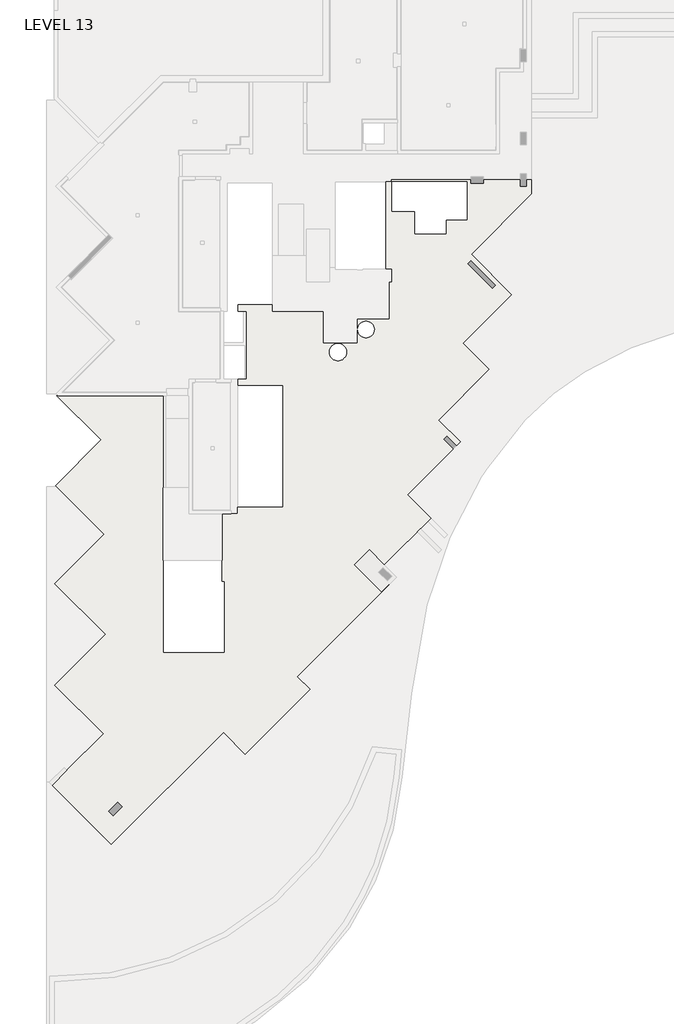
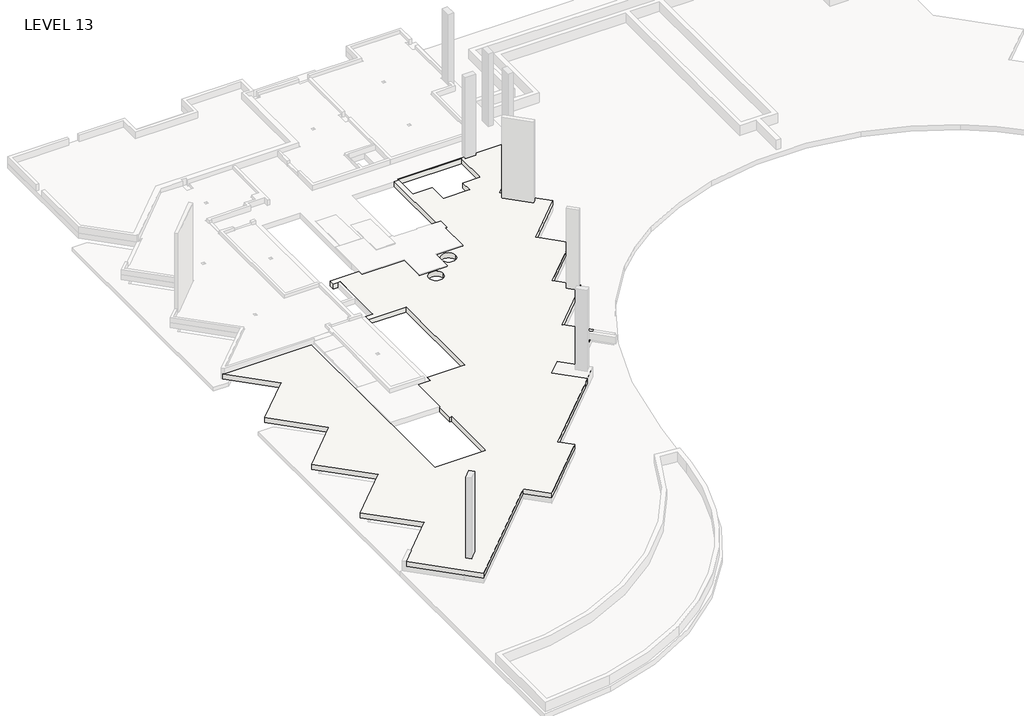
# One storey, part 2 of 5: 1 slab.
"""IFC4 building model written with IfcOpenShell, lengths in millimetres."""

from ifc_helpers import new_model, si_unit, frame, origin, place, context, project, spatial, polyline, circle_curve, element, save
from ifc_brep_helpers import plane_surface, revolved_surface, advanced_brep

model = new_model("IFC4")

# Units and contexts
model_context = context("Model", 3, world=origin())
ifc_project = project(units=[si_unit("LENGTHUNIT", "METRE", prefix="MILLI")], contexts=[model_context])

# Site, building, storey
site = spatial("IfcSite", under=ifc_project)
building = spatial("IfcBuilding", under=site)
storey = spatial("IfcBuildingStorey", under=building, Name="LEVEL 13", Elevation=41350.0)

# Slab
placement = place(None, origin())
element("IfcSlab", 1, ObjectType="300 TRANSFER SLAB", at=placement, inside=storey, context=model_context, shape_type="AdvancedBrep", body=[
    advanced_brep(
    [(196817.7561203, 194963.7530487, 41050.0), (196110.6493391, 194256.6462675, 41050.0), (194307.527047, 192453.5239755, 41050.0), (195421.0729394, 191339.9780831, 41050.0), (194713.9661582, 190632.8713019, 41050.0), (193193.6865787, 189112.5917224, 41050.0), (193780.1699402, 188526.1083608, 41050.0), (193073.0690874, 187819.007508, 41050.0), (192793.2930956, 187539.2315162, 41050.0), (189042.3683084, 183788.306729, 41050.0), (189652.2243532, 183178.4506842, 41050.0), (188945.117572, 182471.343903, 41050.0), (187276.330123, 180802.5564541, 41050.0), (186569.2233418, 180095.4496729, 41050.0), (185528.0555566, 181136.6174581, 41050.0), (180177.6999083, 175786.2618098, 41050.0), (179470.5931271, 176493.368591, 41050.0), (177357.0651708, 178606.8965473, 41050.0), (178064.171952, 179314.0033285, 41050.0), (179810.7257012, 181060.5570777, 41050.0), (177491.4095336, 183379.8732453, 41050.0), (179909.7147252, 185798.1784369, 41050.0), (177491.4154592, 188216.4777029, 41050.0), (179839.0099727, 190564.0722165, 41050.0), (177519.6938053, 192883.3883839, 41050.0), (179697.5826914, 195061.27727, 41050.0), (177590.4104086, 197168.4495528, 41050.0), (177661.1210867, 197168.4495528, 41050.0), (182656.1019659, 197168.4495528, 41050.0), (182656.1019659, 191543.2322067, 41050.0), (182656.1019659, 184913.8372685, 41050.0), (185576.1489175, 184913.8372685, 41050.0), (185576.1489175, 188316.3372685, 41050.0), (185466.1489175, 188316.3372685, 41050.0), (185466.1489175, 191543.2322067, 41050.0), (186201.1489175, 191543.2322067, 41050.0), (186201.1489175, 191842.6490083, 41050.0), (188361.1489175, 191842.6490083, 41050.0), (188361.1489175, 197658.2322067, 41050.0), (186231.1489175, 197658.2322067, 41050.0), (186231.1489175, 197958.2322067, 41050.0), (186631.1489175, 197958.2322067, 41050.0), (186631.1489175, 201193.2322067, 41050.0), (186491.1489185, 201193.2203395, 41050.0), (186231.1489175, 201193.1983002, 41050.0), (186231.1489175, 201493.1983002, 41050.0), (187861.1489205, 201493.1983002, 41050.0), (187861.1489205, 201593.1983002, 41050.0), (190691.1560768, 201593.1983002, 41050.0), (190691.1560768, 200083.2169811, 41050.0), (191488.9560768, 200083.2169811, 41050.0), (191488.9560768, 201223.2169811, 41050.0), (193021.1958691, 201223.2169811, 41050.0), (193021.1958691, 202828.1983002, 41050.0), (193281.1958691, 202828.1983002, 41050.0), (193281.1958691, 207358.1983002, 41050.0), (193531.1958691, 207358.1983002, 41050.0), (193531.1958691, 205942.1983002, 41050.0), (194642.1958691, 205942.1983002, 41050.0), (194642.1958691, 204862.1983002, 41050.0), (196163.2087931, 204862.1983002, 41050.0), (196163.2087931, 205532.1983002, 41050.0), (197163.2087931, 205532.1983002, 41050.0), (197163.2087931, 205538.6983002, 41050.0), (197163.2087931, 207373.1983002, 41050.0), (197163.2087931, 207392.1983002, 41050.0), (193531.1958691, 207392.1983002, 41050.0), (193531.1958691, 207468.1983002, 41050.0), (200218.1920448, 207468.1983002, 41050.0), (200218.1920448, 206783.4157818, 41050.0), (199218.1920448, 205783.4157818, 41050.0), (197345.7581499, 203910.9818869, 41050.0), (199269.6915449, 201987.048492, 41050.0), (198562.5847637, 201279.9417108, 41050.0), (196950.3813026, 199667.7382497, 41050.0), (198195.0557495, 198423.0638028, 41050.0), (197487.9489683, 197715.9570216, 41050.0), (195776.7505578, 196004.7586111, 41050.0), (191926.5560768, 200323.2169811, 41050.0), (192726.5560768, 200323.2169811, 41050.0), (190581.47927, 199245.6169811, 41050.0), (191400.8328836, 199245.6169811, 41050.0), (194307.527047, 192453.5239755, 41350.0), (196817.7561203, 194963.7530487, 41350.0), (195776.7505578, 196004.7586111, 41350.0), (198195.0557495, 198423.0638028, 41350.0), (196950.3813026, 199667.7382497, 41350.0), (199269.6915449, 201987.048492, 41350.0), (197345.7581499, 203910.9818869, 41350.0), (200218.1920448, 206783.4157818, 41350.0), (200218.1920448, 207468.1983002, 41350.0), (193531.1958691, 207468.1983002, 41350.0), (193531.1958691, 207392.1983002, 41350.0), (197163.2087931, 207392.1983002, 41350.0), (197163.2087931, 207373.1983002, 41350.0), (197163.2087931, 205538.6983002, 41350.0), (197163.2087931, 205532.1983002, 41350.0), (196163.2087931, 205532.1983002, 41350.0), (196163.2087931, 204862.1983002, 41350.0), (194642.1958691, 204862.1983002, 41350.0), (194642.1958691, 205942.1983002, 41350.0), (193531.1958691, 205942.1983002, 41350.0), (193531.1958691, 207358.1983002, 41350.0), (193281.1958691, 207358.1983002, 41350.0), (193281.1958691, 203198.1643937, 41350.0), (193531.1958691, 203198.1643937, 41350.0), (193531.1958691, 202593.1983002, 41350.0), (193421.1958691, 202593.1983002, 41350.0), (193421.1958691, 200823.2169811, 41350.0), (191888.9560768, 200823.2169811, 41350.0), (191888.9560768, 199683.2169811, 41350.0), (190291.1560768, 199683.2169811, 41350.0), (190291.1560768, 201193.2322067, 41350.0), (187861.1489205, 201193.2322067, 41350.0), (187861.1489205, 201493.1983002, 41350.0), (186231.1489175, 201493.1983002, 41350.0), (186231.1489175, 201193.1983002, 41350.0), (186491.1489185, 201193.2203395, 41350.0), (186631.1489175, 201193.2322067, 41350.0), (186631.1489175, 197958.2322067, 41350.0), (186231.1489175, 197958.2322067, 41350.0), (186231.1489175, 197658.2322067, 41350.0), (188361.1489175, 197658.2322067, 41350.0), (188361.1489175, 191842.6490083, 41350.0), (186201.1489175, 191842.6490083, 41350.0), (186201.1489175, 191543.2322067, 41350.0), (185466.1489175, 191543.2322067, 41350.0), (185466.1489175, 188316.3372685, 41350.0), (185576.1489175, 188316.3372685, 41350.0), (185576.1489175, 184913.8372685, 41350.0), (182656.1019659, 184913.8372685, 41350.0), (182656.1019659, 191543.2322067, 41350.0), (182656.1019659, 192783.2322067, 41350.0), (182656.1019659, 197168.4495528, 41350.0), (177661.1210867, 197168.4495528, 41350.0), (177590.4104086, 197168.4495528, 41350.0), (179697.5826914, 195061.27727, 41350.0), (177519.6938053, 192883.3883839, 41350.0), (179839.0099727, 190564.0722165, 41350.0), (177491.4154592, 188216.4777029, 41350.0), (179909.7147252, 185798.1784369, 41350.0), (177491.4095336, 183379.8732453, 41350.0), (179810.7257012, 181060.5570777, 41350.0), (178064.171952, 179314.0033285, 41350.0), (177357.0651708, 178606.8965473, 41350.0), (180177.6999083, 175786.2618098, 41350.0), (185528.0555566, 181136.6174581, 41350.0), (186569.2233418, 180095.4496729, 41350.0), (189652.2243532, 183178.4506842, 41350.0), (189042.3683084, 183788.306729, 41350.0), (192793.2930956, 187539.2315162, 41350.0), (193780.1699402, 188526.1083608, 41350.0), (193193.6865787, 189112.5917224, 41350.0), (195421.0729394, 191339.9780831, 41350.0), (192726.5560768, 200323.2169811, 41350.0), (191926.5560768, 200323.2169811, 41350.0), (191400.8328836, 199245.6169811, 41350.0), (190581.47927, 199245.6169811, 41350.0), (193281.1958691, 202828.1983002, 41100.0), (193281.1958691, 203198.1643937, 41100.0), (191488.9560768, 201223.2169811, 41100.0), (193021.1958691, 201223.2169811, 41100.0), (193021.1958691, 202828.1983002, 41100.0), (185466.1489175, 191543.2322067, 41100.0), (187861.1489205, 201593.1983002, 41100.0), (190691.1560768, 201593.1983002, 41100.0), (190691.1560768, 200083.2169811, 41100.0), (191488.9560768, 200083.2169811, 41100.0), (193531.1958691, 202593.1983002, 41100.0), (193531.1958691, 203198.1643937, 41100.0), (187861.1489205, 201493.1983002, 41100.0), (187861.1489205, 201193.2322067, 41100.0), (190291.1560768, 201193.2322067, 41100.0), (190291.1560768, 199683.2169811, 41100.0), (191888.9560768, 199683.2169811, 41100.0), (191888.9560768, 200823.2169811, 41100.0), (193421.1958691, 200823.2169811, 41100.0), (193421.1958691, 202593.1983002, 41100.0)],
    [
        (0, 1),
        (1, 2),
        (2, 3),
        (3, 4),
        (4, 5),
        (5, 6),
        (6, 7),
        (7, 8),
        (8, 9),
        (9, 10),
        (10, 11),
        (11, 12),
        (12, 13),
        (13, 14),
        (14, 15),
        (15, 16),
        (16, 17),
        (17, 18),
        (18, 19),
        (19, 20),
        (20, 21),
        (21, 22),
        (22, 23),
        (23, 24),
        (24, 25),
        (25, 26),
        (26, 27),
        (27, 28),
        (28, 29),
        (29, 30),
        (30, 31),
        (31, 32),
        (32, 33),
        (33, 34),
        (34, 35),
        (35, 36),
        (36, 37),
        (37, 38),
        (38, 39),
        (39, 40),
        (40, 41),
        (41, 42),
        (42, 43),
        (43, 44),
        (44, 45),
        (45, 46),
        (46, 47),
        (47, 48),
        (48, 49),
        (49, 50),
        (50, 51),
        (51, 52),
        (52, 53),
        (53, 54),
        (54, 55),
        (55, 56),
        (56, 57),
        (57, 58),
        (58, 59),
        (59, 60),
        (60, 61),
        (61, 62),
        (62, 63),
        (63, 64),
        (64, 65),
        (65, 66),
        (66, 67),
        (67, 68),
        (68, 69),
        (69, 70),
        (70, 71),
        (71, 72),
        (72, 73),
        (73, 74),
        (74, 75),
        (75, 76),
        (76, 77),
        (77, 0),
        (78, 79, circle_curve(frame((192326.5560768, 200323.2169811, 41050.0), z_axis=(0.0, 0.0, 1.0), x_axis=(1.0, 0.0, 0.0)), 400.0)),
        (79, 78, circle_curve(frame((192326.5560768, 200323.2169811, 41050.0), z_axis=(0.0, 0.0, 1.0), x_axis=(1.0, 0.0, 0.0)), 400.0)),
        (80, 81, circle_curve(frame((190991.1560768, 199245.6169811, 41050.0), z_axis=(0.0, 0.0, 1.0), x_axis=(1.0, 0.0, 0.0)), 409.6768068)),
        (81, 80, circle_curve(frame((190991.1560768, 199245.6169811, 41050.0), z_axis=(0.0, 0.0, 1.0), x_axis=(1.0, 0.0, 0.0)), 409.6768068)),
        (82, 83),
        (83, 84),
        (84, 85),
        (85, 86),
        (86, 87),
        (87, 88),
        (88, 89),
        (89, 90),
        (90, 91),
        (91, 92),
        (92, 93),
        (93, 94),
        (94, 95),
        (95, 96),
        (96, 97),
        (97, 98),
        (98, 99),
        (99, 100),
        (100, 101),
        (101, 102),
        (102, 103),
        (103, 104),
        (104, 105),
        (105, 106),
        (106, 107),
        (107, 108),
        (108, 109),
        (109, 110),
        (110, 111),
        (111, 112),
        (112, 113),
        (113, 114),
        (114, 115),
        (115, 116),
        (116, 117),
        (117, 118),
        (118, 119),
        (119, 120),
        (120, 121),
        (121, 122),
        (122, 123),
        (123, 124),
        (124, 125),
        (125, 126),
        (126, 127),
        (127, 128),
        (128, 129),
        (129, 130),
        (130, 131),
        (131, 132),
        (132, 133),
        (133, 134),
        (134, 135),
        (135, 136),
        (136, 137),
        (137, 138),
        (138, 139),
        (139, 140),
        (140, 141),
        (141, 142),
        (142, 143),
        (143, 144),
        (144, 145),
        (145, 146),
        (146, 147),
        (147, 148),
        (148, 149),
        (149, 150),
        (150, 151),
        (151, 152),
        (152, 153),
        (153, 82),
        (154, 155, circle_curve(frame((192326.5560768, 200323.2169811, 41350.0), z_axis=(0.0, 0.0, -1.0), x_axis=(1.0, 0.0, 0.0)), 400.0)),
        (155, 154, circle_curve(frame((192326.5560768, 200323.2169811, 41350.0), z_axis=(0.0, 0.0, -1.0), x_axis=(1.0, 0.0, 0.0)), 400.0)),
        (156, 157, circle_curve(frame((190991.1560768, 199245.6169811, 41350.0), z_axis=(0.0, 0.0, -1.0), x_axis=(1.0, 0.0, 0.0)), 409.6768068)),
        (157, 156, circle_curve(frame((190991.1560768, 199245.6169811, 41350.0), z_axis=(0.0, 0.0, -1.0), x_axis=(1.0, 0.0, 0.0)), 409.6768068)),
        (0, 83),
        (82, 2),
        (54, 158),
        (158, 159),
        (159, 104),
        (103, 55),
        (89, 69),
        (68, 90),
        (88, 71),
        (87, 72),
        (86, 74),
        (85, 75),
        (84, 77),
        (59, 99),
        (98, 60),
        (96, 62),
        (61, 97),
        (93, 65),
        (92, 66),
        (101, 57),
        (56, 102),
        (100, 58),
        (51, 160),
        (160, 161),
        (161, 52),
        (161, 162),
        (162, 53),
        (153, 3),
        (152, 5),
        (151, 6),
        (150, 8),
        (149, 9),
        (148, 10),
        (147, 13),
        (146, 14),
        (145, 15),
        (144, 17),
        (142, 19),
        (141, 20),
        (140, 21),
        (139, 22),
        (138, 23),
        (137, 24),
        (136, 25),
        (130, 30),
        (28, 133),
        (34, 163),
        (163, 126),
        (125, 35),
        (122, 38),
        (37, 123),
        (121, 39),
        (120, 40),
        (115, 45),
        (44, 116),
        (129, 31),
        (128, 32),
        (127, 33),
        (135, 26),
        (47, 164),
        (164, 165),
        (165, 48),
        (165, 166),
        (166, 49),
        (166, 167),
        (167, 50),
        (167, 160),
        (78, 155),
        (154, 79),
        (168, 169),
        (169, 159),
        (158, 162),
        (164, 170),
        (170, 171),
        (171, 172),
        (172, 173),
        (173, 174),
        (174, 175),
        (175, 176),
        (176, 177),
        (177, 168),
        (168, 106),
        (105, 169),
        (177, 107),
        (176, 108),
        (175, 109),
        (174, 110),
        (173, 111),
        (172, 112),
        (171, 113),
        (170, 114),
        (36, 124),
        (170, 46),
        (42, 118),
        (67, 91),
        (41, 119),
        (80, 157),
        (156, 81),
    ],
    [
        plane_surface(frame((195795.9868214, 193941.9837499, 41050.0), z_axis=(0.0, 0.0, -1.0), x_axis=(-0.7071067811865622, -0.7071067811865329, 0.0))),
        plane_surface(frame((195795.9868214, 193941.9837499, 41350.0), z_axis=(0.0, 0.0, 1.0), x_axis=(0.7071067811865622, 0.7071067811865329, 0.0))),
        plane_surface(frame((196817.7561203, 194963.7530487, 41050.0), z_axis=(0.7071067811865329, -0.7071067811865622, 0.0), x_axis=(0.0, 0.0, 1.0))),
        plane_surface(frame((193281.1958691, 202828.1983002, 41050.0), z_axis=(-1.0, 0.0, 0.0), x_axis=(0.0, 0.0, 1.0))),
        plane_surface(frame((200218.1920448, 207608.1983002, 41050.0), z_axis=(1.0, 0.0, 0.0), x_axis=(0.0, 0.0, 1.0))),
        plane_surface(frame((200218.1920448, 206783.4157818, 41050.0), z_axis=(0.7071067811865476, -0.7071067811865476, 0.0), x_axis=(0.0, 0.0, 1.0))),
        plane_surface(frame((197345.7581499, 203910.9818869, 41050.0), z_axis=(0.7071067811865476, 0.7071067811865476, 0.0), x_axis=(0.0, 0.0, 1.0))),
        plane_surface(frame((199269.6915449, 201987.048492, 41050.0), z_axis=(0.7071067811865528, -0.7071067811865422, 0.0), x_axis=(0.0, 0.0, 1.0))),
        plane_surface(frame((196950.3813026, 199667.7382497, 41050.0), z_axis=(0.7071067811865476, 0.7071067811865476, 0.0), x_axis=(0.0, 0.0, 1.0))),
        plane_surface(frame((198195.0557495, 198423.0638028, 41050.0), z_axis=(0.7071067811865476, -0.7071067811865476, 0.0), x_axis=(0.0, 0.0, 1.0))),
        plane_surface(frame((195776.7505578, 196004.7586111, 41050.0), z_axis=(0.7071067811865476, 0.7071067811865476, 0.0), x_axis=(0.0, 0.0, 1.0))),
        plane_surface(frame((194651.1958691, 204862.1983002, 41050.0), z_axis=(0.0, 1.0, 0.0), x_axis=(0.0, 0.0, 1.0))),
        plane_surface(frame((196151.1958691, 205532.1983002, 41050.0), z_axis=(0.0, 1.0, 0.0), x_axis=(0.0, 0.0, 1.0))),
        plane_surface(frame((197163.2087931, 205532.1983002, 41050.0), z_axis=(-1.0, 0.0, 0.0), x_axis=(0.0, 0.0, 1.0))),
        plane_surface(frame((197163.2087931, 207392.1983002, 41050.0), z_axis=(0.0, -1.0, 0.0), x_axis=(0.0, 0.0, 1.0))),
        plane_surface(frame((193531.1958691, 207392.1983002, 41050.0), z_axis=(1.0, 0.0, 0.0), x_axis=(0.0, 0.0, 1.0))),
        plane_surface(frame((193531.1958691, 205942.1983002, 41050.0), z_axis=(0.0, 1.0, 0.0), x_axis=(0.0, 0.0, 1.0))),
        plane_surface(frame((191488.9560768, 201223.2169811, 41050.0), z_axis=(0.0, 1.0, 0.0), x_axis=(0.0, 0.0, 1.0))),
        plane_surface(frame((193021.1958691, 201223.2169811, 41050.0), z_axis=(-1.0, 0.0, 0.0), x_axis=(0.0, 0.0, 1.0))),
        plane_surface(frame((194307.527047, 192453.5239755, 41050.0), z_axis=(0.7071067811865476, 0.7071067811865476, 0.0), x_axis=(0.0, 0.0, 1.0))),
        plane_surface(frame((195421.0729394, 191339.9780831, 41050.0), z_axis=(0.7071067811865476, -0.7071067811865476, 0.0), x_axis=(0.0, 0.0, 1.0))),
        plane_surface(frame((193193.6865787, 189112.5917224, 41050.0), z_axis=(0.7071067811865476, 0.7071067811865476, 0.0), x_axis=(0.0, 0.0, 1.0))),
        plane_surface(frame((193780.1699402, 188526.1083608, 41050.0), z_axis=(0.7071067811865476, -0.7071067811865476, 0.0), x_axis=(0.0, 0.0, 1.0))),
        plane_surface(frame((192793.2930956, 187539.2315162, 41050.0), z_axis=(0.7071067811865476, -0.7071067811865476, 0.0), x_axis=(0.0, 0.0, 1.0))),
        plane_surface(frame((189042.3683084, 183788.306729, 41050.0), z_axis=(0.7071067811865476, 0.7071067811865476, 0.0), x_axis=(0.0, 0.0, 1.0))),
        plane_surface(frame((189652.2243532, 183178.4506842, 41050.0), z_axis=(0.7071067811865476, -0.7071067811865476, 0.0), x_axis=(0.0, 0.0, 1.0))),
        plane_surface(frame((186569.2233418, 180095.4496729, 41050.0), z_axis=(-0.7071067811865476, -0.7071067811865476, 0.0), x_axis=(0.0, 0.0, 1.0))),
        plane_surface(frame((185528.0555566, 181136.6174581, 41050.0), z_axis=(0.7071067811865476, -0.7071067811865476, 0.0), x_axis=(0.0, 0.0, 1.0))),
        plane_surface(frame((180177.6999083, 175786.2618098, 41050.0), z_axis=(-0.7071067811865388, -0.7071067811865562, 0.0), x_axis=(0.0, 0.0, 1.0))),
        plane_surface(frame((177357.0651708, 178606.8965473, 41050.0), z_axis=(-0.7071067811865476, 0.7071067811865476, 0.0), x_axis=(0.0, 0.0, 1.0))),
        plane_surface(frame((179810.7257012, 181060.5570777, 41050.0), z_axis=(-0.7071067811865476, -0.7071067811865476, 0.0), x_axis=(0.0, 0.0, 1.0))),
        plane_surface(frame((177491.4095336, 183379.8732453, 41050.0), z_axis=(-0.7071067811865476, 0.7071067811865476, 0.0), x_axis=(0.0, 0.0, 1.0))),
        plane_surface(frame((179909.7147252, 185798.1784369, 41050.0), z_axis=(-0.7071067811865476, -0.7071067811865476, 0.0), x_axis=(0.0, 0.0, 1.0))),
        plane_surface(frame((177491.4154592, 188216.4777029, 41050.0), z_axis=(-0.7071067811865476, 0.7071067811865476, 0.0), x_axis=(0.0, 0.0, 1.0))),
        plane_surface(frame((179839.0099727, 190564.0722165, 41050.0), z_axis=(-0.7071067811864736, -0.7071067811866215, 0.0), x_axis=(0.0, 0.0, 1.0))),
        plane_surface(frame((177519.6938053, 192883.3883839, 41050.0), z_axis=(-0.7071067811865419, 0.7071067811865532, 0.0), x_axis=(0.0, 0.0, 1.0))),
        plane_surface(frame((182656.1019659, 197168.4495528, 41050.0), z_axis=(1.0, 0.0, 0.0), x_axis=(0.0, 0.0, 1.0))),
        plane_surface(frame((185466.1489175, 191543.2322067, 41050.0), z_axis=(0.0, 1.0, 0.0), x_axis=(0.0, 0.0, 1.0))),
        plane_surface(frame((188361.1489175, 191843.2322067, 41050.0), z_axis=(-1.0, 0.0, 0.0), x_axis=(0.0, 0.0, 1.0))),
        plane_surface(frame((188361.1489175, 197658.2322067, 41050.0), z_axis=(0.0, -1.0, 0.0), x_axis=(0.0, 0.0, 1.0))),
        plane_surface(frame((186231.1489175, 197658.2322067, 41050.0), z_axis=(-1.0, 0.0, 0.0), x_axis=(0.0, 0.0, 1.0))),
        plane_surface(frame((182656.1019659, 184913.8372685, 41050.0), z_axis=(0.0, 1.0, 0.0), x_axis=(0.0, 0.0, 1.0))),
        plane_surface(frame((185576.1489175, 184913.8372685, 41050.0), z_axis=(-1.0, 0.0, 0.0), x_axis=(0.0, 0.0, 1.0))),
        plane_surface(frame((185576.1489175, 188316.3372685, 41050.0), z_axis=(0.0, -1.0, 0.0), x_axis=(0.0, 0.0, 1.0))),
        plane_surface(frame((185466.1489175, 188316.3372685, 41050.0), z_axis=(-1.0, 0.0, 0.0), x_axis=(0.0, 0.0, 1.0))),
        plane_surface(frame((179697.5826914, 195061.27727, 41050.0), z_axis=(-0.7071067811865476, -0.7071067811865476, 0.0), x_axis=(0.0, 0.0, 1.0))),
        plane_surface(frame((177590.4104086, 197168.4495528, 41050.0), z_axis=(0.0, 1.0, 0.0), x_axis=(0.0, 0.0, 1.0))),
        plane_surface(frame((187861.1489205, 201593.1983002, 41050.0), z_axis=(0.0, 1.0, 0.0), x_axis=(0.0, 0.0, 1.0))),
        plane_surface(frame((190691.1560768, 201593.1983002, 41050.0), z_axis=(1.0, 0.0, 0.0), x_axis=(0.0, 0.0, 1.0))),
        plane_surface(frame((190691.1560768, 200083.2169811, 41050.0), z_axis=(0.0, 1.0, 0.0), x_axis=(0.0, 0.0, 1.0))),
        plane_surface(frame((191488.9560768, 200083.2169811, 41050.0), z_axis=(-1.0, 0.0, 0.0), x_axis=(0.0, 0.0, 1.0))),
        revolved_surface(polyline([(192726.5560768, 200323.2169811, 41350.0), (192726.5560768, 200323.2169811, 41050.0)]), (192326.5560768, 200323.2169811, 41350.0), (0.0, 0.0, 1.0)),
        plane_surface(frame((193531.1958691, 203148.1983002, 41100.0), z_axis=(0.0, 0.0, 1.0), x_axis=(1.0, 0.0, 0.0))),
        plane_surface(frame((193531.1958691, 203198.1643937, 41100.0), z_axis=(-1.0, 0.0, 0.0), x_axis=(0.0, 0.0, 1.0))),
        plane_surface(frame((193531.1958691, 202593.1983002, 41100.0), z_axis=(0.0, 1.0, 0.0), x_axis=(0.0, 0.0, 1.0))),
        plane_surface(frame((193421.1958691, 202593.1983002, 41100.0), z_axis=(-1.0, 0.0, 0.0), x_axis=(0.0, 0.0, 1.0))),
        plane_surface(frame((193421.1958691, 200823.2169811, 41100.0), z_axis=(0.0, 1.0, 0.0), x_axis=(0.0, 0.0, 1.0))),
        plane_surface(frame((192181.1958691, 203198.1643937, 41100.0), z_axis=(0.0, -1.0, 0.0), x_axis=(0.0, 0.0, 1.0))),
        plane_surface(frame((191888.9560768, 200823.2169811, 41100.0), z_axis=(-1.0, 0.0, 0.0), x_axis=(0.0, 0.0, 1.0))),
        plane_surface(frame((191888.9560768, 199683.2169811, 41100.0), z_axis=(0.0, 1.0, 0.0), x_axis=(0.0, 0.0, 1.0))),
        plane_surface(frame((190291.1560768, 199683.2169811, 41100.0), z_axis=(1.0, 0.0, 0.0), x_axis=(0.0, 0.0, 1.0))),
        plane_surface(frame((190291.1560768, 201193.2322067, 41100.0), z_axis=(0.0, 1.0, 0.0), x_axis=(0.0, 0.0, 1.0))),
        plane_surface(frame((187861.1489205, 201193.2322067, 41100.0), z_axis=(1.0, 0.0, 0.0), x_axis=(0.0, 0.0, 1.0))),
        plane_surface(frame((186201.1489175, 191842.6490083, 96804.8), z_axis=(0.0, 1.0, 0.0), x_axis=(0.0, 0.0, -1.0))),
        plane_surface(frame((186231.1489175, 201493.1983002, 41050.0), z_axis=(0.0, 1.0, 0.0), x_axis=(0.0, 0.0, 1.0))),
        plane_surface(frame((187861.1489205, 201493.1983002, 41050.0), z_axis=(-1.0, 0.0, 0.0), x_axis=(0.0, 0.0, 1.0))),
        plane_surface(frame((193021.1958691, 202828.1983002, 41050.0), z_axis=(0.0, 1.0, 0.0), x_axis=(0.0, 0.0, 1.0))),
        plane_surface(frame((186491.1489175, 201193.1983002, 42554.8), z_axis=(0.0, -1.0, 0.0), x_axis=(0.0, 0.0, -1.0))),
        plane_surface(frame((186201.1489175, 197958.2322067, 41050.0), z_axis=(-1.0, 0.0, 0.0), x_axis=(0.0, 0.0, 1.0))),
        plane_surface(frame((200218.1920448, 207468.1983002, 41050.0), z_axis=(0.0, 1.0, 0.0), x_axis=(0.0, 0.0, 1.0))),
        plane_surface(frame((193531.1958691, 207468.1983002, 41050.0), z_axis=(-1.0, 0.0, 0.0), x_axis=(0.0, 0.0, 1.0))),
        plane_surface(frame((193531.1958691, 207358.1983002, 41050.0), z_axis=(0.0, 1.0, 0.0), x_axis=(0.0, 0.0, 1.0))),
        plane_surface(frame((186631.1489175, 201193.2322067, 41050.0), z_axis=(-1.0, 0.0, 0.0), x_axis=(0.0, 0.0, 1.0))),
        plane_surface(frame((186631.1489175, 197958.2322067, 41050.0), z_axis=(0.0, 1.0, 0.0), x_axis=(0.0, 0.0, 1.0))),
        plane_surface(frame((194642.1958691, 205942.1983002, 42554.8), z_axis=(1.0, 0.0, 0.0), x_axis=(0.0, 0.0, -1.0))),
        plane_surface(frame((196163.2087931, 204862.1983002, 42554.8), z_axis=(-1.0, 0.0, 0.0), x_axis=(0.0, 0.0, -1.0))),
        revolved_surface(polyline([(191400.8328836, 199245.6169811, 41350.0), (191400.8328836, 199245.6169811, 41050.0)]), (190991.1560768, 199245.6169811, 24700.0), (0.0, 0.0, 1.0)),
    ],
    [
        (0, [[1, 2, 3, 4, 5, 6, 7, 8, 9, 10, 11, 12, 13, 14, 15, 16, 17, 18, 19, 20, 21, 22, 23, 24, 25, 26, 27, 28, 29, 30, 31, 32, 33, 34, 35, 36, 37, 38, 39, 40, 41, 42, 43, 44, 45, 46, 47, 48, 49, 50, 51, 52, 53, 54, 55, 56, 57, 58, 59, 60, 61, 62, 63, 64, 65, 66, 67, 68, 69, 70, 71, 72, 73, 74, 75, 76, 77, 78], [79, 80], [81, 82]]),
        (1, [[83, 84, 85, 86, 87, 88, 89, 90, 91, 92, 93, 94, 95, 96, 97, 98, 99, 100, 101, 102, 103, 104, 105, 106, 107, 108, 109, 110, 111, 112, 113, 114, 115, 116, 117, 118, 119, 120, 121, 122, 123, 124, 125, 126, 127, 128, 129, 130, 131, 132, 133, 134, 135, 136, 137, 138, 139, 140, 141, 142, 143, 144, 145, 146, 147, 148, 149, 150, 151, 152, 153, 154], [155, 156], [157, 158]]),
        (2, [[-2, -1, 159, -83, 160]]),
        (3, [[161, 162, 163, -104, 164, -55]]),
        (4, [[165, -69, 166, -90]]),
        (5, [[-71, -70, -165, -89, 167]]),
        (6, [[-72, -167, -88, 168]]),
        (7, [[-74, -73, -168, -87, 169]]),
        (8, [[-75, -169, -86, 170]]),
        (9, [[-77, -76, -170, -85, 171]]),
        (10, [[-78, -171, -84, -159]]),
        (11, [[172, -99, 173, -60]]),
        (12, [[174, -62, 175, -97]]),
        (13, [[-174, -96, -95, -94, 176, -65, -64, -63]]),
        (14, [[-66, -176, -93, 177]]),
        (15, [[178, -57, 179, -102]]),
        (16, [[-178, -101, 180, -58]]),
        (17, [[-52, 181, 182, 183]]),
        (18, [[-53, -183, 184, 185]]),
        (19, [[-3, -160, -154, 186]]),
        (20, [[-5, -4, -186, -153, 187]]),
        (21, [[-6, -187, -152, 188]]),
        (22, [[-8, -7, -188, -151, 189]]),
        (23, [[-9, -189, -150, 190]]),
        (24, [[-10, -190, -149, 191]]),
        (25, [[-13, -12, -11, -191, -148, 192]]),
        (26, [[-14, -192, -147, 193]]),
        (27, [[-15, -193, -146, 194]]),
        (28, [[-17, -16, -194, -145, 195]]),
        (29, [[-19, -18, -195, -144, -143, 196]]),
        (30, [[-20, -196, -142, 197]]),
        (31, [[-21, -197, -141, 198]]),
        (32, [[-22, -198, -140, 199]]),
        (33, [[-23, -199, -139, 200]]),
        (34, [[-24, -200, -138, 201]]),
        (35, [[-25, -201, -137, 202]]),
        (36, [[203, -30, -29, 204, -133, -132, -131]]),
        (37, [[205, 206, -126, 207, -35]]),
        (38, [[208, -38, 209, -123]]),
        (39, [[-39, -208, -122, 210]]),
        (40, [[-210, -121, 211, -40]]),
        (40, [[212, -45, 213, -116]]),
        (41, [[-31, -203, -130, 214]]),
        (42, [[-32, -214, -129, 215]]),
        (43, [[-33, -215, -128, 216]]),
        (44, [[-34, -216, -127, -206, -205]]),
        (45, [[-26, -202, -136, 217]]),
        (46, [[-217, -135, -134, -204, -28, -27]]),
        (47, [[-48, 218, 219, 220]]),
        (48, [[-49, -220, 221, 222]]),
        (49, [[-50, -222, 223, 224]]),
        (50, [[-51, -224, 225, -181]]),
        (51, [[-79, 226, -155, 227]]),
        (51, [[-80, -227, -156, -226]]),
        (52, [[228, 229, -162, 230, -184, -182, -225, -223, -221, -219, 231, 232, 233, 234, 235, 236, 237, 238, 239]]),
        (53, [[-228, 240, -106, 241]]),
        (54, [[-239, 242, -107, -240]]),
        (55, [[-238, 243, -108, -242]]),
        (56, [[-237, 244, -109, -243]]),
        (57, [[-229, -241, -105, -163]]),
        (58, [[-236, 245, -110, -244]]),
        (59, [[-235, 246, -111, -245]]),
        (60, [[-234, 247, -112, -246]]),
        (61, [[-233, 248, -113, -247]]),
        (62, [[-248, -232, 249, -114]]),
        (63, [[-209, -37, 250, -124]]),
        (64, [[-46, -212, -115, -249, 251]]),
        (65, [[-47, -251, -231, -218]]),
        (66, [[-54, -185, -230, -161]]),
        (67, [[252, -118, -117, -213, -44, -43]]),
        (68, [[-207, -125, -250, -36]]),
        (69, [[253, -91, -166, -68]]),
        (70, [[-253, -67, -177, -92]]),
        (71, [[-56, -164, -103, -179]]),
        (72, [[-252, -42, 254, -119]]),
        (73, [[-254, -41, -211, -120]]),
        (74, [[-172, -59, -180, -100]]),
        (75, [[-173, -98, -175, -61]]),
        (76, [[255, -157, 256, -81]]),
        (76, [[-255, -82, -256, -158]]),
    ],
),
])

save(model, "model.ifc")
